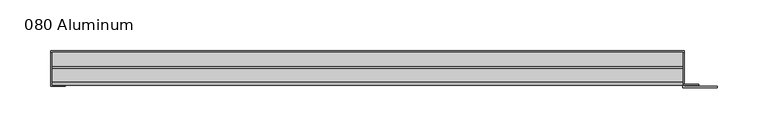
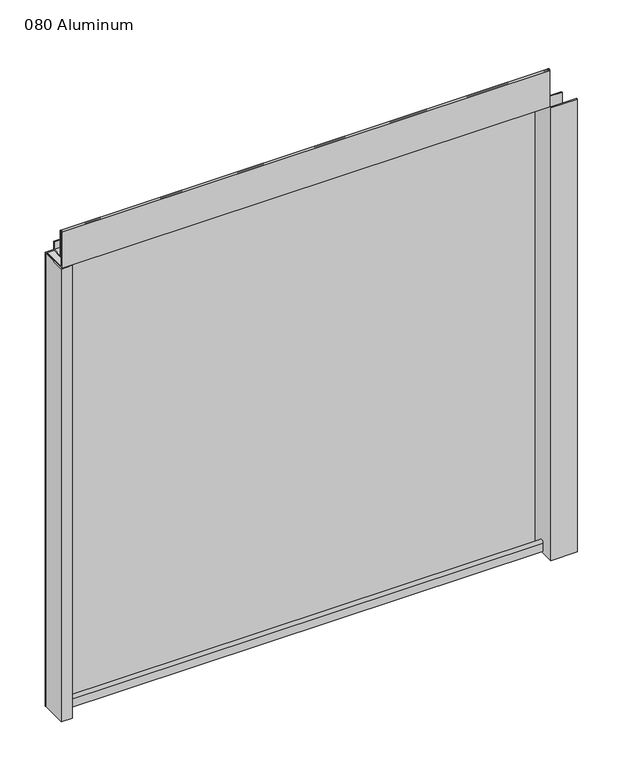
"""IFC4 building model written with IfcOpenShell, lengths in millimetres: plate geometry, 080 Aluminum."""

from ifc_helpers import new_model, si_unit, point, frame, frame_2d, origin, origin_with_axes, place, context, project, spatial, polyline, circle_curve, trimmed, segment, composite_curve, outline, extrude, source, transform, mapped, element, save


def plate_080_aluminum_1c430ebe(model_context):
    return source(origin(), model_context, "Body", "SweptSolid", [
        extrude(outline(polyline([(-316.23, 2.5660257), (-303.3394994, 2.5660257), (-303.3394994, 1.2699999), (-317.4999999, 1.2699999), (-317.4999999, 34.7980001), (-316.23, 34.7980001), (-316.23, 2.5660257)])), origin_with_axes(), (0.0, 0.0, 1.0), 608.33),
        extrude(outline(composite_curve([segment(trimmed(circle_curve(frame_2d((19.8514743, 13.124237)), 3.175), [point((16.6765477, 13.1458337))], [point((23.0264743, 13.124237))], False, "CARTESIAN"), True, "CONTINUOUS"), segment(polyline([(23.0264743, 13.124237), (23.0264743, 1.2693678), (34.7980002, 1.2693678), (34.7980002, 0.0), (21.7564743, 0.0), (21.7564743, 13.124237)]), True, "CONTINUOUS"), segment(trimmed(circle_curve(frame_2d((19.8514743, 13.124237)), 1.905), [point((21.7564743, 13.124237))], [point((17.9464915, 13.1323356))], True, "CARTESIAN"), True, "CONTINUOUS"), segment(polyline([(17.9464915, 13.1323356), (17.9464915, 2.786437), (16.6765477, 2.786437), (16.6765477, 13.1458337)]), True, "CONTINUOUS")], self_intersect=False)), frame((-316.23, 0.0, 0.0), z_axis=(1.0, 0.0, 0.0), x_axis=(0.0, 1.0, 0.0)), (0.0, 0.0, 1.0), 619.76),
        extrude(outline(composite_curve([segment(trimmed(circle_curve(frame_2d((3.7084742, 656.7932001)), 1.6509999), [point((2.0574743, 656.7932001))], [point((5.3594742, 656.7932001))], False, "CARTESIAN"), True, "CONTINUOUS"), segment(polyline([(5.3594742, 656.7932001), (5.3594742, 623.57), (19.2164743, 623.57), (19.2164743, 633.6538), (20.4864742, 633.6538), (20.4864742, 622.3), (4.0894742, 622.3), (4.0894742, 656.7932001)]), True, "CONTINUOUS"), segment(trimmed(circle_curve(frame_2d((3.7084742, 656.7932001)), 0.3809999), [point((4.0894742, 656.7932001))], [point((3.3274743, 656.7932001))], True, "CARTESIAN"), True, "CONTINUOUS"), segment(polyline([(3.3274743, 656.7932001), (3.3274743, 609.6000001), (34.7980002, 609.6000001), (34.7980002, 608.33), (2.0574743, 608.33), (2.0574743, 656.7932001)]), True, "CONTINUOUS")], self_intersect=False)), frame((-316.23, 0.0, 0.0), z_axis=(1.0, 0.0, 0.0), x_axis=(0.0, 1.0, 0.0)), (0.0, 0.0, 1.0), 619.76),
        extrude(outline(polyline([(-317.5, 36.068), (304.8, 36.068), (304.8, 34.7980001), (-317.5, 34.7980001), (-317.5, 36.068)])), origin_with_axes(), (0.0, 0.0, 1.0), 609.6),
        extrude(outline(polyline([(304.8, 1.2699999), (337.3120856, 1.2699999), (337.3120856, 0.0), (303.5300001, 0.0), (303.5300001, 34.7980002), (304.8, 34.7980002), (304.8, 1.2699999)])), origin_with_axes(), (0.0, 0.0, 1.0), 608.33),
        extrude(outline(polyline([(303.53, 3.3274743), (319.2779999, 3.3274743), (319.2779999, 2.0574743), (303.53, 2.0574743), (303.53, 3.3274743)])), origin_with_axes(), (0.0, 0.0, 1.0), 622.3),
    ])


if __name__ == "__main__":
    model = new_model("IFC4")
    model_context = context("Model", 3, world=origin())
    ifc_project = project(units=[si_unit("LENGTHUNIT", "METRE", prefix="MILLI")], contexts=[model_context])
    site = spatial("IfcSite", under=ifc_project)
    building = spatial("IfcBuilding", under=site)
    placement = place(None, origin())
    plate_080_aluminum_shape = plate_080_aluminum_1c430ebe(model_context)
    element("IfcPlate", 1, ObjectType="080 Aluminum", at=placement, inside=building, context=model_context, shape_type="MappedRepresentation", body=[
        mapped(plate_080_aluminum_shape, transform((0.0, 0.0, 0.0), x_axis=(1.0, 0.0, 0.0), y_axis=(0.0, 1.0, 0.0), z_axis=(0.0, 0.0, 1.0))),
    ])
    save(model, "model.ifc")
